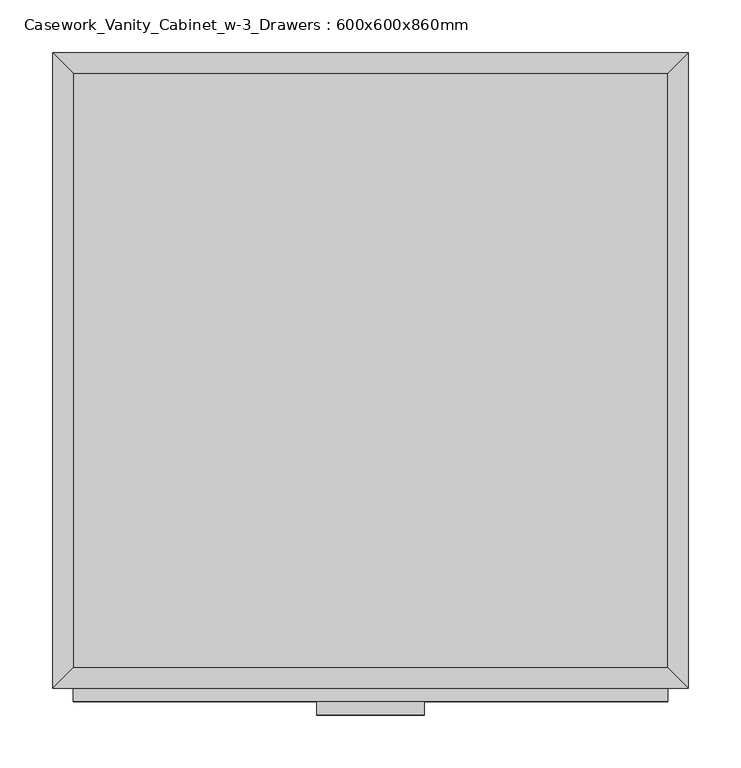
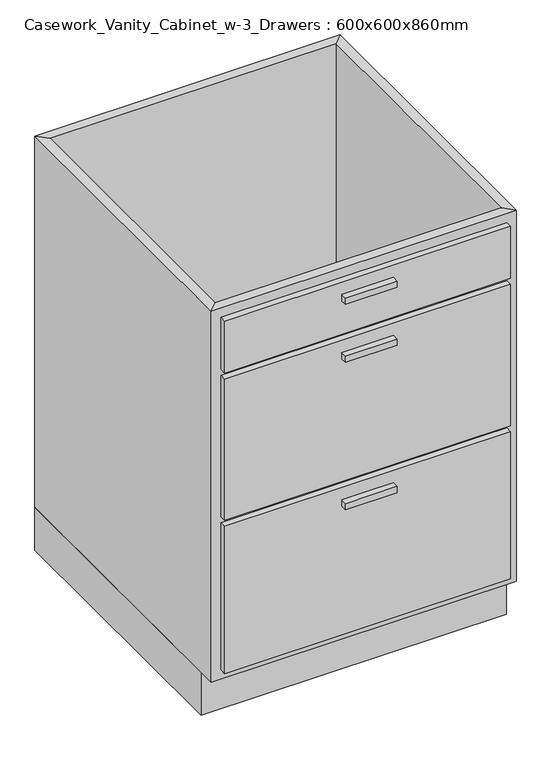
"""IFC4 building model written with IfcOpenShell, lengths in millimetres: furniture geometry, Casework_Vanity_Cabinet_w-3_Drawers : 600x600x860mm."""

from ifc_helpers import new_model, si_unit, frame, origin, origin_with_axes, place, context, project, spatial, polyline, outline, extrude, faceted_brep, source, transform, mapped, element, save


def casework_vanity_cabinet_w_3_drawers_600x600x860mm_64e631d8(model_context):
    return source(origin(), model_context, "Body", "SolidModel", [
        extrude(outline(polyline([(69.5377049, -625.4), (-32.0622951, -625.4), (-32.0622951, -612.7), (69.5377049, -612.7), (69.5377049, -625.4)])), frame((0.0, 0.0, 802.85), z_axis=(0.0, 0.0, 1.0), x_axis=(1.0, 0.0, 0.0)), (0.0, 0.0, 1.0), 12.7),
        extrude(outline(polyline([(69.5377049, -625.4), (-32.0622951, -625.4), (-32.0622951, -612.7), (69.5377049, -612.7), (69.5377049, -625.4)])), frame((0.0, 0.0, 682.2), z_axis=(0.0, 0.0, 1.0), x_axis=(1.0, 0.0, 0.0)), (0.0, 0.0, 1.0), 12.7),
        extrude(outline(polyline([(69.5377049, -625.4), (-32.0622951, -625.4), (-32.0622951, -612.7), (69.5377049, -612.7), (69.5377049, -625.4)])), frame((0.0, 0.0, 376.575), z_axis=(0.0, 0.0, 1.0), x_axis=(1.0, 0.0, 0.0)), (0.0, 0.0, 1.0), 12.7),
        extrude(outline(polyline([(299.6877049, -612.7), (-262.2122951, -612.7), (-262.2122951, -600.0), (299.6877049, -600.0), (299.6877049, -612.7)])), frame((0.0, 0.0, 733.0), z_axis=(0.0, 0.0, 1.0), x_axis=(1.0, 0.0, 0.0)), (0.0, 0.0, 1.0), 107.95),
        extrude(outline(polyline([(299.6877049, -612.7), (-262.2122951, -612.7), (-262.2122951, -600.0), (299.6877049, -600.0), (299.6877049, -612.7)])), frame((0.0, 0.0, 427.375), z_axis=(0.0, 0.0, 1.0), x_axis=(1.0, 0.0, 0.0)), (0.0, 0.0, 1.0), 292.925),
        extrude(outline(polyline([(299.6877049, -612.7), (-262.2122951, -612.7), (-262.2122951, -600.0), (299.6877049, -600.0), (299.6877049, -612.7)])), frame((0.0, 0.0, 109.05), z_axis=(0.0, 0.0, 1.0), x_axis=(1.0, 0.0, 0.0)), (0.0, 0.0, 1.0), 305.625),
        extrude(outline(polyline([(299.6877049, -19.05), (299.6877049, -580.95), (-262.2122951, -580.95), (-262.2122951, -19.05), (299.6877049, -19.05)])), frame((0.0, 0.0, 90.0), z_axis=(0.0, 0.0, 1.0), x_axis=(1.0, 0.0, 0.0)), (0.0, 0.0, 1.0), 19.05),
        faceted_brep([(299.6877049, -580.95, 860.0), (299.6877049, -580.95, 90.0), (-262.2122951, -580.95, 90.0), (-262.2122951, -580.95, 860.0), (318.7377049, -600.0, 860.0), (-281.2622951, -600.0, 860.0), (318.7377049, -600.0, 90.0), (-281.2622951, -600.0, 90.0), (-262.2122951, -19.05, 90.0), (-262.2122951, -19.05, 860.0), (-281.2622951, 0.0, 860.0), (-281.2622951, 0.0, 90.0), (299.6877049, -19.05, 90.0), (299.6877049, -19.05, 860.0), (318.7377049, 0.0, 860.0), (318.7377049, 0.0, 90.0)], [[[0, 1, 2, 3]], [[4, 0, 3, 5]], [[6, 4, 5, 7]], [[1, 6, 7, 2]], [[3, 2, 8, 9]], [[5, 3, 9, 10]], [[7, 5, 10, 11]], [[2, 7, 11, 8]], [[9, 8, 12, 13]], [[10, 9, 13, 14]], [[11, 10, 14, 15]], [[8, 11, 15, 12]], [[13, 12, 1, 0]], [[14, 13, 0, 4]], [[15, 14, 4, 6]], [[12, 15, 6, 1]]]),
        extrude(outline(polyline([(318.7377049, 0.0), (318.7377049, -565.0), (-281.2622951, -565.0), (-281.2622951, 0.0), (318.7377049, 0.0)])), origin_with_axes(), (0.0, 0.0, 1.0), 90.0),
    ])


if __name__ == "__main__":
    model = new_model("IFC4")
    model_context = context("Model", 3, world=origin())
    ifc_project = project(units=[si_unit("LENGTHUNIT", "METRE", prefix="MILLI")], contexts=[model_context])
    site = spatial("IfcSite", under=ifc_project)
    building = spatial("IfcBuilding", under=site)
    placement = place(None, origin())
    casework_vanity_cabinet_w_3_drawers_600x600x860mm_shape = casework_vanity_cabinet_w_3_drawers_600x600x860mm_64e631d8(model_context)
    element("IfcFurniture", 1, ObjectType="Casework_Vanity_Cabinet_w-3_Drawers : 600x600x860mm", at=placement, inside=building, context=model_context, shape_type="MappedRepresentation", body=[
        mapped(casework_vanity_cabinet_w_3_drawers_600x600x860mm_shape, transform((0.0, 0.0, 0.0), x_axis=(1.0, 0.0, 0.0), y_axis=(0.0, 1.0, 0.0), z_axis=(0.0, 0.0, 1.0))),
    ])
    save(model, "model.ifc")
